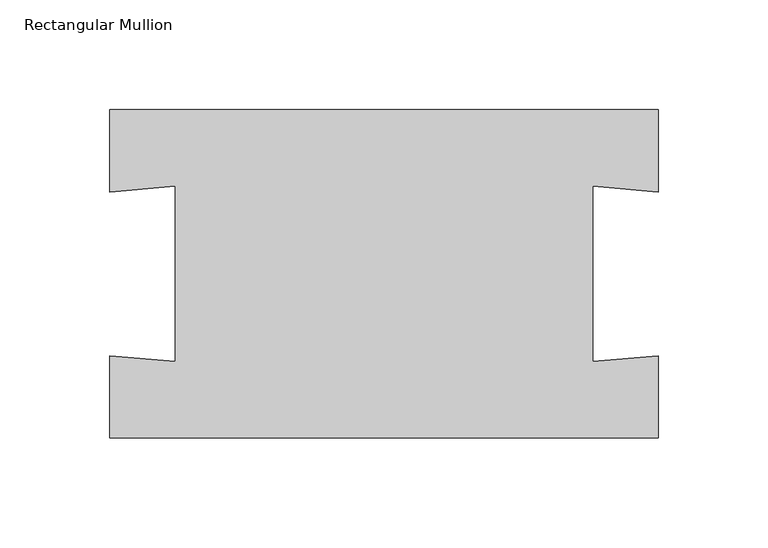
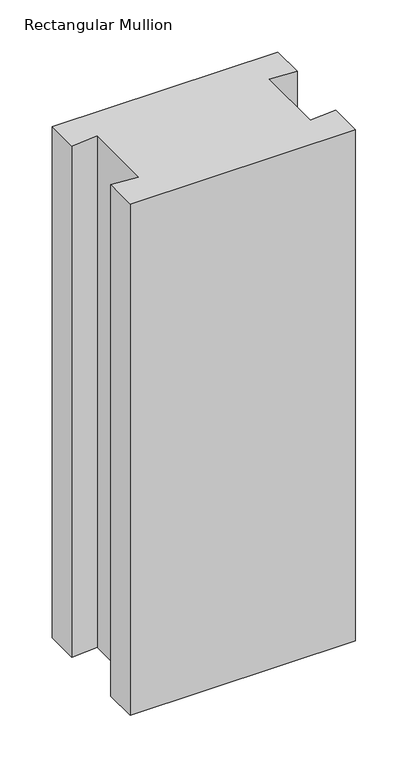
"""IFC4 building model written with IfcOpenShell, lengths in millimetres: member geometry, Rectangular Mullion."""

from ifc_helpers import new_model, si_unit, frame, origin, place, context, project, spatial, polyline, outline, extrude, source, transform, mapped, element, save


def rectangular_mullion_6f37045a(model_context):
    return source(origin(), model_context, "Body", "SweptSolid", [
        extrude(outline(polyline([(-125.0, -74.8456117), (-125.0, -37.3786672), (-95.1141591, -39.9933394), (-95.1141591, 39.970903), (-125.0, 37.3562308), (-125.0, 74.8995482), (125.0, 74.8995482), (125.0, 37.3853277), (95.1141591, 40.0), (95.1141591, -40.0), (125.0, -37.3853277), (125.0, -74.8456117), (-125.0, -74.8456117)])), frame((0.0, 0.0, -600.0), z_axis=(0.0, 0.0, 1.0), x_axis=(1.0, 0.0, 0.0)), (0.0, 0.0, 1.0), 600.0),
    ])


if __name__ == "__main__":
    model = new_model("IFC4")
    model_context = context("Model", 3, world=origin())
    ifc_project = project(units=[si_unit("LENGTHUNIT", "METRE", prefix="MILLI")], contexts=[model_context])
    site = spatial("IfcSite", under=ifc_project)
    building = spatial("IfcBuilding", under=site)
    placement = place(None, origin())
    rectangular_mullion_shape = rectangular_mullion_6f37045a(model_context)
    element("IfcMember", 1, ObjectType="Rectangular Mullion", at=placement, inside=building, context=model_context, shape_type="MappedRepresentation", body=[
        mapped(rectangular_mullion_shape, transform((0.0, 0.0, 0.0), x_axis=(1.0, 0.0, 0.0), y_axis=(0.0, 1.0, 0.0), z_axis=(0.0, 0.0, 1.0))),
    ])
    save(model, "model.ifc")
